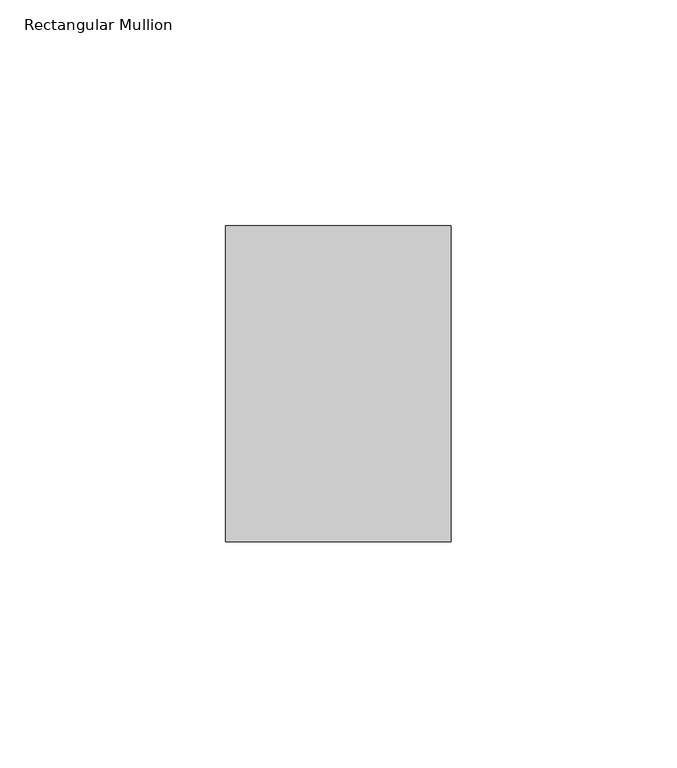
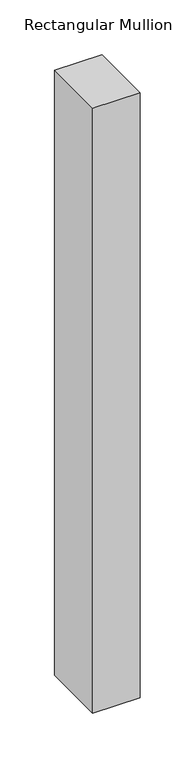
"""IFC4 building model written with IfcOpenShell, lengths in millimetres: member geometry, Rectangular Mullion."""

from ifc_helpers import new_model, si_unit, frame, origin, place, context, project, spatial, polyline, outline, extrude, source, transform, mapped, element, save


def rectangular_mullion_e0b966ef(model_context):
    return source(origin(), model_context, "Body", "SweptSolid", [
        extrude(outline(polyline([(25.0, 35.0), (25.0, -35.0), (-25.0, -35.0), (-25.0, 35.0), (25.0, 35.0)])), frame((0.0, 0.0, -675.0), z_axis=(0.0, 0.0, 1.0), x_axis=(1.0, 0.0, 0.0)), (0.0, 0.0, 1.0), 675.0),
    ])


if __name__ == "__main__":
    model = new_model("IFC4")
    model_context = context("Model", 3, world=origin())
    ifc_project = project(units=[si_unit("LENGTHUNIT", "METRE", prefix="MILLI")], contexts=[model_context])
    site = spatial("IfcSite", under=ifc_project)
    building = spatial("IfcBuilding", under=site)
    placement = place(None, origin())
    rectangular_mullion_shape = rectangular_mullion_e0b966ef(model_context)
    element("IfcMember", 1, ObjectType="Rectangular Mullion", at=placement, inside=building, context=model_context, shape_type="MappedRepresentation", body=[
        mapped(rectangular_mullion_shape, transform((0.0, 0.0, 0.0), x_axis=(1.0, 0.0, 0.0), y_axis=(0.0, 1.0, 0.0), z_axis=(0.0, 0.0, 1.0))),
    ])
    save(model, "model.ifc")
